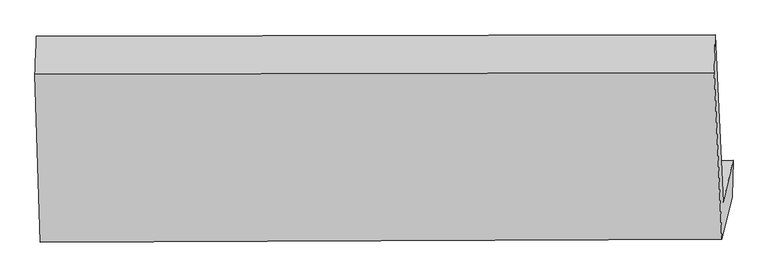
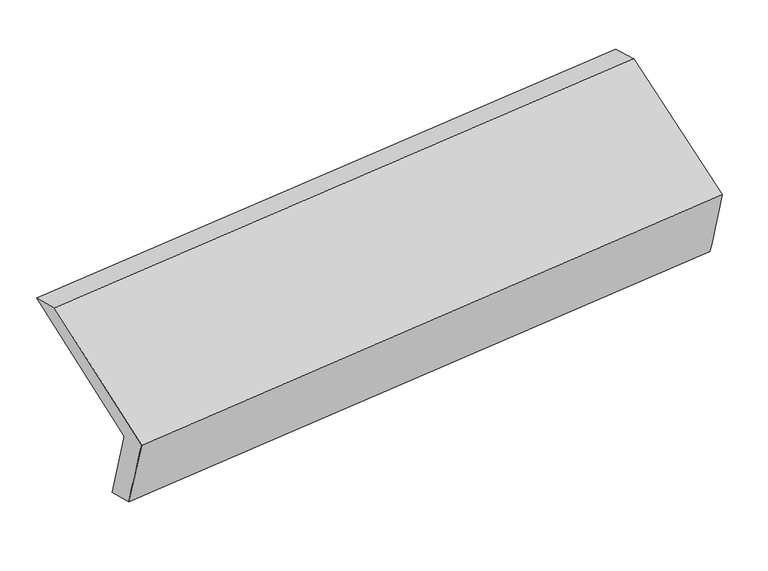
"""IFC4 building model written with IfcOpenShell, lengths in millimetres: proxy geometry."""

from ifc_helpers import new_model, si_unit, frame, origin, place, context, project, spatial, source, transform, mapped, element, save
from ifc_brep_helpers import plane_surface, spline_surface, advanced_brep


def generic_models_b741fbe9(model_context):
    return source(origin(), model_context, "Body", "AdvancedBrep", [
        advanced_brep(
        [(-4288.9210174, -1725.9297596, 1795.1358246), (-4311.5717876, -1020.5678908, 2092.5999194), (-1470.0817222, -1015.4177151, 2384.1175655), (-1437.5227946, -1715.2887177, 2089.9959017), (-4246.9039463, -1550.5590785, 1382.4874598), (-1395.5057234, -1539.9180366, 1677.3475369), (-4252.5982504, -1699.6352916, 1426.6600356), (-1399.4280213, -1692.8595272, 1720.0578463), (-4295.2022477, -1882.2710938, 1844.6210135), (-1442.1683762, -1871.2490475, 2139.8095595), (-4317.7264873, -1180.8494812, 2140.4234297), (-1474.6007879, -1174.0975708, 2432.7883392)],
        [
            (0, 1),
            (1, 2),
            (2, 3),
            (3, 0),
            (4, 0),
            (3, 5),
            (5, 4),
            (6, 4),
            (5, 7),
            (7, 6),
            (8, 6),
            (7, 9),
            (9, 8),
            (10, 8),
            (9, 11),
            (11, 10),
            (1, 10),
            (11, 2),
        ],
        [
            plane_surface(frame((-4300.2464025, -1373.2488252, 1943.867872), z_axis=(0.09330241593985941, 0.38942524540756396, -0.9163201609803444), x_axis=(-0.0428485934183147, 0.9210526952884308, 0.3870735466858838))),
            plane_surface(frame((-4267.9124818, -1638.244419, 1588.8116422), z_axis=(-0.04345760095123238, 0.9210505952116397, 0.3870106432384622), x_axis=(-0.09330241593968722, -0.38942524540756235, 0.9163201609803626))),
            spline_surface(1, 1, [[(-4252.5982504, -1699.6352916, 1426.6600356), (-1399.4280213, -1692.8595272, 1720.0578463)], [(-4246.9039463, -1550.5590785, 1382.4874598), (-1395.5057234, -1539.9180366, 1677.3475369)]], [2, 2], [2, 2], [0.0, 1.0], [0.0, 1.0]),
            spline_surface(1, 1, [[(-4295.2022477, -1882.2710938, 1844.6210135), (-1442.1683762, -1871.2490475, 2139.8095595)], [(-4252.5982504, -1699.6352916, 1426.6600356), (-1399.4280213, -1692.8595272, 1720.0578463)]], [2, 2], [2, 2], [0.0, 1.0], [0.0, 1.0]),
            plane_surface(frame((-4306.4643675, -1531.5602875, 1992.5222216), z_axis=(-0.09330241593985485, -0.38942524540765067, 0.9163201609803079), x_axis=(0.042848593418334135, -0.9210526952883941, -0.38707354668596894))),
            spline_surface(1, 1, [[(-4311.5717876, -1020.5678908, 2092.5999194), (-1470.0817222, -1015.4177151, 2384.1175655)], [(-4317.7264873, -1180.8494812, 2140.4234297), (-1474.6007879, -1174.0975708, 2432.7883392)]], [2, 2], [2, 2], [0.0, 1.0], [0.0, 1.0]),
            plane_surface(frame((-1436.5512376, -1501.4717691, 2074.0194582), z_axis=(0.9947153649269831, 0.003148132966919813, 0.10262276568579587), x_axis=(0.09330241593990743, 0.3894252454076399, -0.9163201609803071))),
            plane_surface(frame((-4285.4872894, -1509.9687659, 1780.3212804), z_axis=(-0.9951984378507016, 0.009138498405934888, -0.09745028038137249), x_axis=(0.029575809022109125, -0.921012739372332, -0.38840803986859074))),
        ],
        [
            (0, [[1, 2, 3, 4]]),
            (1, [[5, -4, 6, 7]]),
            (2, [[8, -7, 9, 10]]),
            (3, [[11, -10, 12, 13]]),
            (4, [[14, -13, 15, 16]]),
            (5, [[17, -16, 18, -2]]),
            (6, [[-12, -9, -6, -3, -18, -15]]),
            (7, [[-1, -5, -8, -11, -14, -17]]),
        ],
    ),
    ])


if __name__ == "__main__":
    model = new_model("IFC4")
    model_context = context("Model", 3, world=origin())
    ifc_project = project(units=[si_unit("LENGTHUNIT", "METRE", prefix="MILLI")], contexts=[model_context])
    site = spatial("IfcSite", under=ifc_project)
    building = spatial("IfcBuilding", under=site)
    placement = place(None, origin())
    generic_models_shape = generic_models_b741fbe9(model_context)
    element("IfcBuildingElementProxy", 1, Name="Generic Models", at=placement, inside=building, context=model_context, shape_type="MappedRepresentation", body=[
        mapped(generic_models_shape, transform((0.0, 0.0, 0.0), x_axis=(1.0, 0.0, 0.0), y_axis=(0.0, 1.0, 0.0), z_axis=(0.0, 0.0, 1.0))),
    ])
    save(model, "model.ifc")
